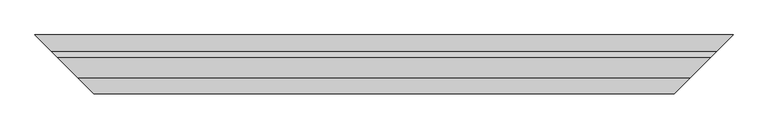
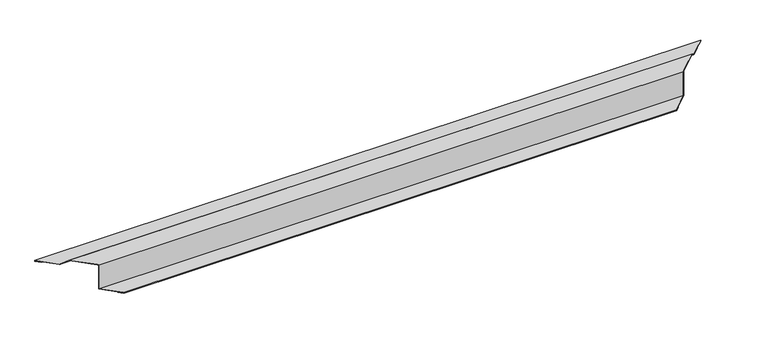
"""IFC4 building model written with IfcOpenShell, lengths in millimetres: proxy geometry."""

from ifc_helpers import new_model, si_unit, origin, place, context, project, spatial, faceted_brep, source, transform, mapped, element, save


def generic_models_197f914b(model_context):
    return source(origin(), model_context, "Body", "Brep", [
        faceted_brep([(43.0, -43.0, -48.0), (33.0, -33.0, -48.0), (1477.0, -33.0, -48.0), (1467.0, -43.0, -48.0), (33.0, -33.0, -47.0), (1477.0, -33.0, -47.0), (42.0, -42.0, -47.0), (1468.0, -42.0, -47.0), (42.0, -42.0, -46.0), (1468.0, -42.0, -46.0), (2.0, -2.0, -46.0), (1508.0, -2.0, -46.0), (2.0, -2.0, 18.8492424), (1508.0, -2.0, 18.8492424), (0.0, 0.0, 18.8492424), (-46.5857864, 46.5857864, 18.8492424), (1556.5857864, 46.5857864, 18.8492424), (1510.0, 0.0, 18.8492424), (-61.4350288, 61.4350288, 4.0), (1571.4350288, 61.4350288, 4.0), (-100.8492424, 100.8492424, 4.0), (1610.8492424, 100.8492424, 4.0), (-100.8492424, 100.8492424, 3.0), (1610.8492424, 100.8492424, 3.0), (-91.8492424, 91.8492424, 3.0), (1601.8492424, 91.8492424, 3.0), (-91.8492424, 91.8492424, 2.0), (1601.8492424, 91.8492424, 2.0), (-101.8492424, 101.8492424, 2.0), (1611.8492424, 101.8492424, 2.0), (-101.8492424, 101.8492424, 5.0), (1611.8492424, 101.8492424, 5.0), (-61.8492424, 61.8492424, 5.0), (1571.8492424, 61.8492424, 5.0), (-47.0, 47.0, 19.8492424), (1557.0, 47.0, 19.8492424), (0.0, 0.0, 19.8492424), (3.0, -3.0, 19.8492424), (1507.0, -3.0, 19.8492424), (1510.0, 0.0, 19.8492424), (3.0, -3.0, -45.0), (1507.0, -3.0, -45.0), (43.0, -43.0, -45.0), (1467.0, -43.0, -45.0)], [[[0, 1, 2, 3]], [[1, 4, 5, 2]], [[4, 6, 7, 5]], [[6, 8, 9, 7]], [[8, 10, 11, 9]], [[10, 12, 13, 11]], [[14, 15, 16, 17, 13, 12]], [[15, 18, 19, 16]], [[18, 20, 21, 19]], [[20, 22, 23, 21]], [[22, 24, 25, 23]], [[24, 26, 27, 25]], [[26, 28, 29, 27]], [[28, 30, 31, 29]], [[30, 32, 33, 31]], [[32, 34, 35, 33]], [[34, 36, 37, 38, 39, 35]], [[37, 40, 41, 38]], [[40, 42, 43, 41]], [[42, 0, 3, 43]], [[14, 36, 34, 32, 30, 28, 26, 24, 22, 20, 18, 15]], [[36, 14, 12, 10, 8, 6, 4, 1, 0, 42, 40, 37]], [[39, 17, 16, 19, 21, 23, 25, 27, 29, 31, 33, 35]], [[17, 39, 38, 41, 43, 3, 2, 5, 7, 9, 11, 13]]]),
    ])


if __name__ == "__main__":
    model = new_model("IFC4")
    model_context = context("Model", 3, world=origin())
    ifc_project = project(units=[si_unit("LENGTHUNIT", "METRE", prefix="MILLI")], contexts=[model_context])
    site = spatial("IfcSite", under=ifc_project)
    building = spatial("IfcBuilding", under=site)
    placement = place(None, origin())
    generic_models_shape = generic_models_197f914b(model_context)
    element("IfcBuildingElementProxy", 1, Name="Generic Models", at=placement, inside=building, context=model_context, shape_type="MappedRepresentation", body=[
        mapped(generic_models_shape, transform((0.0, 0.0, 0.0), x_axis=(1.0, 0.0, 0.0), y_axis=(0.0, 1.0, 0.0), z_axis=(0.0, 0.0, 1.0))),
    ])
    save(model, "model.ifc")
